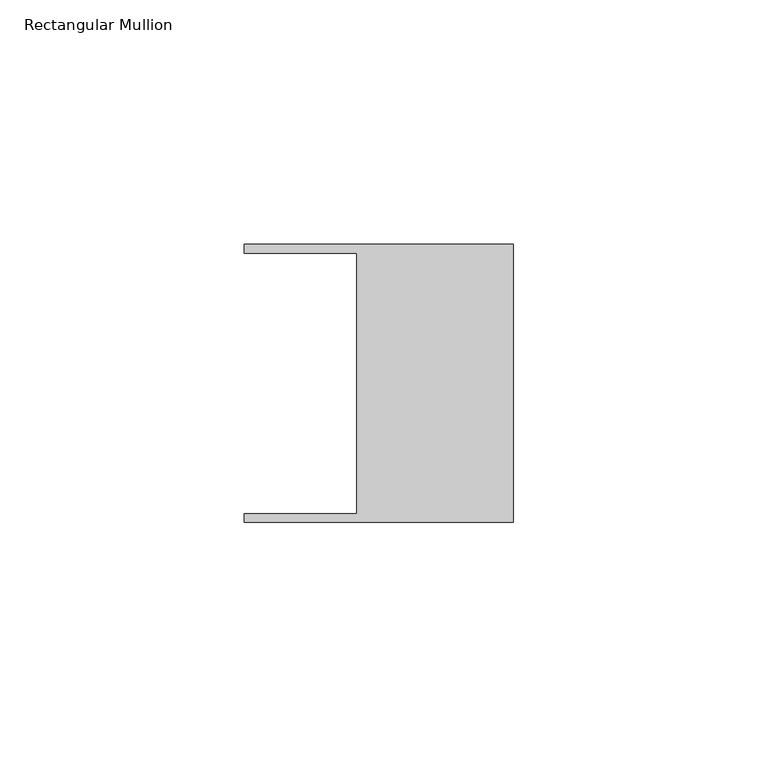
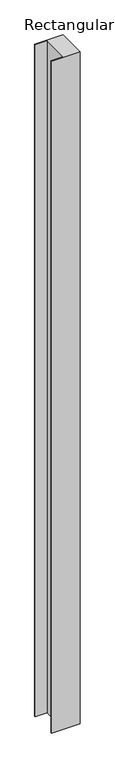
"""IFC4 building model written with IfcOpenShell, lengths in millimetres: member geometry, Rectangular Mullion."""

from ifc_helpers import new_model, si_unit, frame, origin, place, context, project, spatial, polyline, outline, extrude, source, transform, mapped, element, save


def rectangular_mullion_9052d7b4(model_context):
    return source(origin(), model_context, "Body", "SweptSolid", [
        extrude(outline(polyline([(-32.004, -26.67), (-32.004, 26.67), (-54.991, 26.67), (-54.991, 28.448), (0.0, 28.448), (0.0, -28.448), (-54.991, -28.448), (-54.991, -26.67), (-32.004, -26.67)])), frame((0.0, 0.0, -1371.6), z_axis=(0.0, 0.0, 1.0), x_axis=(1.0, 0.0, 0.0)), (0.0, 0.0, 1.0), 1371.6),
    ])


if __name__ == "__main__":
    model = new_model("IFC4")
    model_context = context("Model", 3, world=origin())
    ifc_project = project(units=[si_unit("LENGTHUNIT", "METRE", prefix="MILLI")], contexts=[model_context])
    site = spatial("IfcSite", under=ifc_project)
    building = spatial("IfcBuilding", under=site)
    placement = place(None, origin())
    rectangular_mullion_shape = rectangular_mullion_9052d7b4(model_context)
    element("IfcMember", 1, ObjectType="Rectangular Mullion", at=placement, inside=building, context=model_context, shape_type="MappedRepresentation", body=[
        mapped(rectangular_mullion_shape, transform((0.0, 0.0, 0.0), x_axis=(1.0, 0.0, 0.0), y_axis=(0.0, 1.0, 0.0), z_axis=(0.0, 0.0, 1.0))),
    ])
    save(model, "model.ifc")
